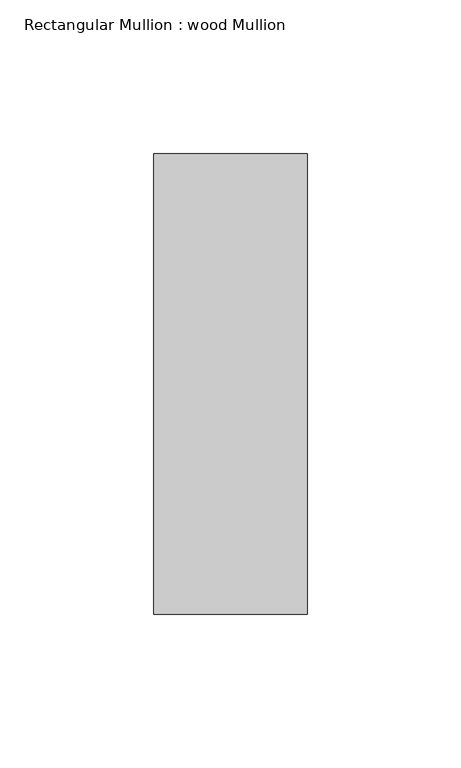
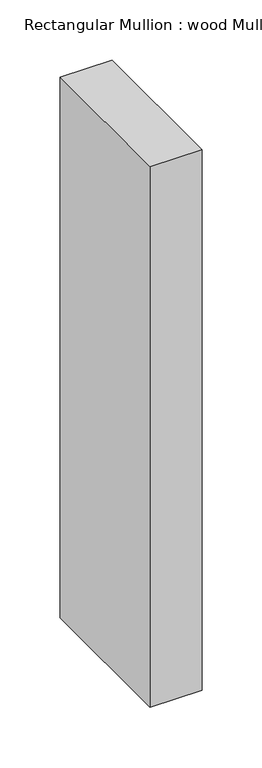
"""IFC4 building model written with IfcOpenShell, lengths in millimetres: member geometry, Rectangular Mullion : wood Mullion."""

from ifc_helpers import new_model, si_unit, frame, origin, place, context, project, spatial, polyline, outline, extrude, source, transform, mapped, element, save


def rectangular_mullion_wood_mullion_84ea88ee(model_context):
    return source(origin(), model_context, "Body", "SweptSolid", [
        extrude(outline(polyline([(0.0, 75.0), (0.0, -75.0), (-50.0, -75.0), (-50.0, 75.0), (0.0, 75.0)])), frame((0.0, 0.0, -549.9992591), z_axis=(0.0, 0.0, 1.0), x_axis=(1.0, 0.0, 0.0)), (0.0, 0.0, 1.0), 549.9992591),
    ])


if __name__ == "__main__":
    model = new_model("IFC4")
    model_context = context("Model", 3, world=origin())
    ifc_project = project(units=[si_unit("LENGTHUNIT", "METRE", prefix="MILLI")], contexts=[model_context])
    site = spatial("IfcSite", under=ifc_project)
    building = spatial("IfcBuilding", under=site)
    placement = place(None, origin())
    rectangular_mullion_wood_mullion_shape = rectangular_mullion_wood_mullion_84ea88ee(model_context)
    element("IfcMember", 1, ObjectType="Rectangular Mullion : wood Mullion", at=placement, inside=building, context=model_context, shape_type="MappedRepresentation", body=[
        mapped(rectangular_mullion_wood_mullion_shape, transform((0.0, 0.0, 0.0), x_axis=(1.0, 0.0, 0.0), y_axis=(0.0, 1.0, 0.0), z_axis=(0.0, 0.0, 1.0))),
    ])
    save(model, "model.ifc")
